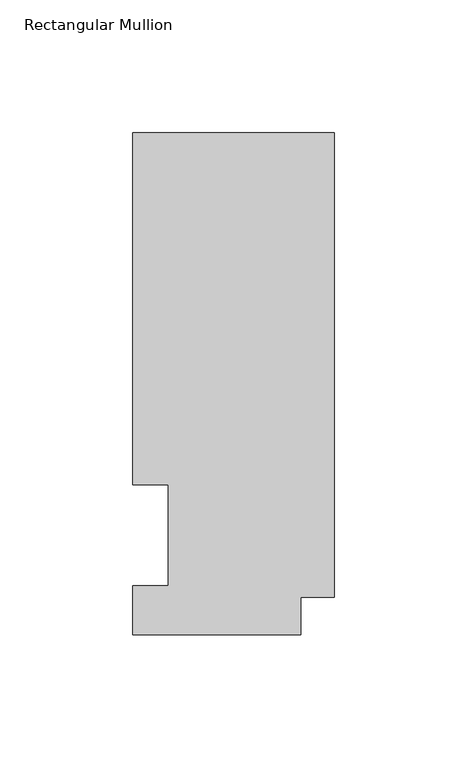
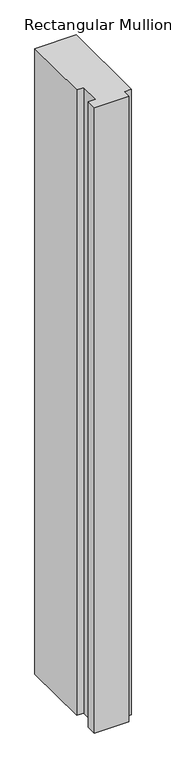
"""IFC4 building model written with IfcOpenShell, lengths in millimetres: member geometry, Rectangular Mullion."""

from ifc_helpers import new_model, si_unit, frame, origin, place, context, project, spatial, polyline, outline, extrude, source, transform, mapped, element, save


def rectangular_mullion_d9d38db8(model_context):
    return source(origin(), model_context, "Body", "SweptSolid", [
        extrude(outline(polyline([(0.0, 14.2613062), (-12.7016245, 14.2613062), (-12.7016245, 0.0627062), (-76.2, 0.0627062), (-76.2, 18.6047062), (-62.7126, 18.6047062), (-62.7126, 56.6539063), (-76.2, 56.6539063), (-76.2, 189.6483063), (0.0, 189.6483063), (0.0, 14.2613062)])), frame((0.0, 0.0, -1219.2), z_axis=(0.0, 0.0, 1.0), x_axis=(1.0, 0.0, 0.0)), (0.0, 0.0, 1.0), 1219.2),
    ])


if __name__ == "__main__":
    model = new_model("IFC4")
    model_context = context("Model", 3, world=origin())
    ifc_project = project(units=[si_unit("LENGTHUNIT", "METRE", prefix="MILLI")], contexts=[model_context])
    site = spatial("IfcSite", under=ifc_project)
    building = spatial("IfcBuilding", under=site)
    placement = place(None, origin())
    rectangular_mullion_shape = rectangular_mullion_d9d38db8(model_context)
    element("IfcMember", 1, ObjectType="Rectangular Mullion", at=placement, inside=building, context=model_context, shape_type="MappedRepresentation", body=[
        mapped(rectangular_mullion_shape, transform((0.0, 0.0, 0.0), x_axis=(1.0, 0.0, 0.0), y_axis=(0.0, 1.0, 0.0), z_axis=(0.0, 0.0, 1.0))),
    ])
    save(model, "model.ifc")
